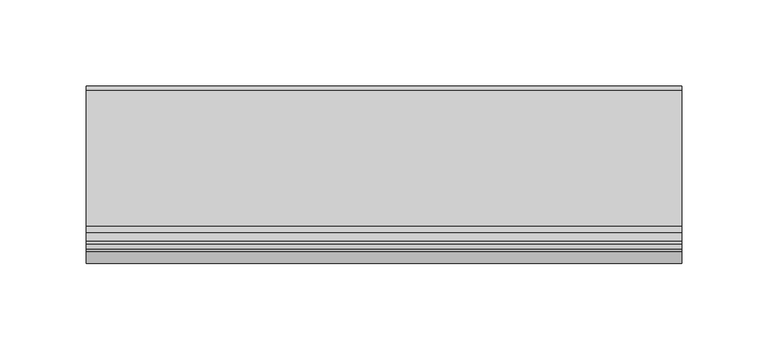
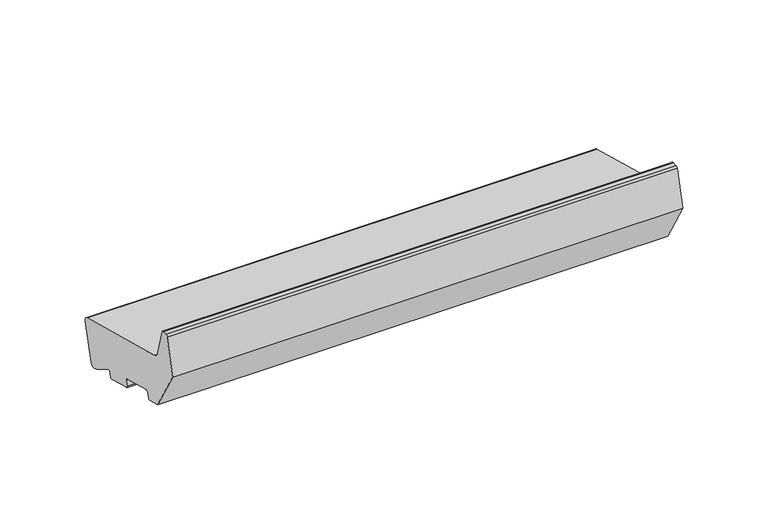
"""IFC4 building model written with IfcOpenShell, lengths in millimetres: proxy geometry."""

import ifcopenshell
import ifcopenshell.guid

model = None  # the IFC model being written
_history = None  # IfcOwnerHistory: only IFC2X3 demands one
_inside = {}  # id of a spatial element -> (the spatial element, [elements in it])
_under = {}  # id of a project, library or spatial element -> (it, [spatial elements below it])
_declared = {}  # id of a project -> (the project, [libraries it declares])
_typed = {}  # id of a type object -> (the type object, [elements of that type])
_made_of = {}  # id of a material, layer set ... -> (it, [elements and type objects made of it])


def new_model(schema):
    """Start an empty IFC model of exactly this schema.

    Asked for "IFC4X3", IfcOpenShell would pick the latest addendum, in which some entities
    have other attributes; the version numbers below select the first issue.
    IFC2X3 requires an IfcOwnerHistory on every rooted entity: one is made here for all.
    """
    global model, _history
    if schema == "IFC4X3":
        model = ifcopenshell.file(schema_version=(4, 3, 0, 0))
    else:
        model = ifcopenshell.file(schema=schema)
    _inside.clear()
    _under.clear()
    _declared.clear()
    _typed.clear()
    _made_of.clear()
    _history = None
    if model.schema == "IFC2X3":
        org = make("IfcOrganization", Name="unknown")
        user = make(
            "IfcPersonAndOrganization",
            ThePerson=make("IfcPerson", FamilyName="unknown"),
            TheOrganization=org,
        )
        app = make(
            "IfcApplication",
            ApplicationDeveloper=org,
            Version="unknown",
            ApplicationFullName="unknown",
            ApplicationIdentifier="unknown",
        )
        _history = make(
            "IfcOwnerHistory",
            OwningUser=user,
            OwningApplication=app,
            ChangeAction="ADDED",
            CreationDate=0,
        )
    return model


def make(cls, **values):
    """One entity of the class cls with the attributes given. An attribute that is None is left unset."""
    return model.create_entity(
        cls, **{name: value for name, value in values.items() if value is not None}
    )


def rooted(cls, **values):
    """An entity with a GlobalId (a new one), such as an element, a storey or a relation."""
    return make(cls, GlobalId=ifcopenshell.guid.new(), OwnerHistory=_history, **values)


def si_unit(unit_type, name, prefix=None):
    """IfcSIUnit, for example si_unit("LENGTHUNIT", "METRE", prefix="MILLI")."""
    return make("IfcSIUnit", UnitType=unit_type, Prefix=prefix, Name=name)


def assignment(units):
    """IfcUnitAssignment: the units of a project."""
    return None if units is None else make("IfcUnitAssignment", Units=units)


def point(xyz):
    """IfcCartesianPoint."""
    return None if xyz is None else make("IfcCartesianPoint", Coordinates=xyz)


def direction(xyz):
    """IfcDirection."""
    return None if xyz is None else make("IfcDirection", DirectionRatios=xyz)


def frame(location, z_axis=None, x_axis=None):
    """IfcAxis2Placement3D, a coordinate frame: its origin and axes. An axis left out is left unset."""
    return make(
        "IfcAxis2Placement3D",
        Location=point(location),
        Axis=direction(z_axis),
        RefDirection=direction(x_axis),
    )


def frame_2d(location, x_axis=None):
    """IfcAxis2Placement2D, a coordinate frame in the plane: its origin and x axis."""
    return make(
        "IfcAxis2Placement2D", Location=point(location), RefDirection=direction(x_axis)
    )


def origin():
    """The frame at (0, 0, 0) with its axes left unset."""
    return frame((0.0, 0.0, 0.0))


def place(relative_to, where):
    """IfcLocalPlacement: puts the frame where relative to a parent placement (None: the world)."""
    return make(
        "IfcLocalPlacement", PlacementRelTo=relative_to, RelativePlacement=where
    )


def context(
    kind, dimensions, precision=None, world=None, true_north=None, identifier=None
):
    """IfcGeometricRepresentationContext, for example the 3D "Model" context."""
    return make(
        "IfcGeometricRepresentationContext",
        ContextIdentifier=identifier,
        ContextType=kind,
        CoordinateSpaceDimension=dimensions,
        Precision=precision,
        WorldCoordinateSystem=world,
        TrueNorth=true_north,
    )


def project(units=None, contexts=None):
    """IfcProject with its units and contexts."""
    return rooted(
        "IfcProject",
        Name="project",
        RepresentationContexts=contexts,
        UnitsInContext=assignment(units),
    )


def spatial(cls, under=None, at=None, **own):
    """A site, building, storey or space (cls), placed at a placement, below another one or the project."""
    s = rooted(cls, ObjectPlacement=at, **own)
    if under is not None:
        _under.setdefault(under.id(), (under, []))[1].append(s)
    return s


def polyline(points):
    """IfcPolyline through the points."""
    return make("IfcPolyline", Points=[point(p) for p in points])


def circle_curve(where, radius):
    """IfcCircle in the frame where."""
    return make("IfcCircle", Position=where, Radius=radius)


def trimmed(basis, trim1, trim2, sense, master):
    """IfcTrimmedCurve: the piece of a basis curve between two trims."""
    return make(
        "IfcTrimmedCurve",
        BasisCurve=basis,
        Trim1=trim1,
        Trim2=trim2,
        SenseAgreement=sense,
        MasterRepresentation=master,
    )


def segment(curve, same_sense, transition):
    """IfcCompositeCurveSegment."""
    return make(
        "IfcCompositeCurveSegment",
        Transition=transition,
        SameSense=same_sense,
        ParentCurve=curve,
    )


def composite_curve(segments, self_intersect=None):
    """IfcCompositeCurve: segments joined end to end."""
    return make("IfcCompositeCurve", Segments=segments, SelfIntersect=self_intersect)


def outline(outer, holes=None, kind="AREA"):
    """IfcArbitraryClosedProfileDef: a profile drawn as a closed curve; with holes, ...WithVoids."""
    if holes is None:
        return make("IfcArbitraryClosedProfileDef", ProfileType=kind, OuterCurve=outer)
    return make(
        "IfcArbitraryProfileDefWithVoids",
        ProfileType=kind,
        OuterCurve=outer,
        InnerCurves=holes,
    )


def extrude(swept, where, along, depth):
    """IfcExtrudedAreaSolid: the profile swept, set in the frame where, extruded along a direction by depth."""
    return make(
        "IfcExtrudedAreaSolid",
        SweptArea=swept,
        Position=where,
        ExtrudedDirection=direction(along),
        Depth=depth,
    )


def shape(context_of_items, identifier, shape_type, items):
    """IfcShapeRepresentation: the items that make up one representation, for example the "Body"."""
    return make(
        "IfcShapeRepresentation",
        ContextOfItems=context_of_items,
        RepresentationIdentifier=identifier,
        RepresentationType=shape_type,
        Items=items,
    )


def source(mapping_origin, context_of_items, identifier, shape_type, items):
    """IfcRepresentationMap: a shape defined once, which mapped items show again and again."""
    return make(
        "IfcRepresentationMap",
        MappingOrigin=mapping_origin,
        MappedRepresentation=shape(context_of_items, identifier, shape_type, items),
    )


def transform(
    local_origin,
    x_axis=None,
    y_axis=None,
    z_axis=None,
    scale=None,
    scale2=None,
    scale3=None,
    uniform=True,
):
    """IfcCartesianTransformationOperator3D, or its non-uniform kind. x_axis, y_axis, z_axis: its Axis1, 2, 3."""
    if uniform:
        return make(
            "IfcCartesianTransformationOperator3D",
            Axis1=direction(x_axis),
            Axis2=direction(y_axis),
            LocalOrigin=point(local_origin),
            Scale=scale,
            Axis3=direction(z_axis),
        )
    return make(
        "IfcCartesianTransformationOperator3DnonUniform",
        Axis1=direction(x_axis),
        Axis2=direction(y_axis),
        LocalOrigin=point(local_origin),
        Scale=scale,
        Axis3=direction(z_axis),
        Scale2=scale2,
        Scale3=scale3,
    )


def mapped(mapping_source, mapping_target):
    """IfcMappedItem: shows the shape of a source again, moved by a transform."""
    return make(
        "IfcMappedItem", MappingSource=mapping_source, MappingTarget=mapping_target
    )


def made_of(thing, what):
    """Note that an element or type object is made of a material, layer set ...; save() writes the relation."""
    if what is not None:
        _made_of.setdefault(what.id(), (what, []))[1].append(thing)
    return thing


def element(
    cls,
    number,
    at=None,
    inside=None,
    cuts=None,
    type_object=None,
    material=None,
    context=None,
    identifier="Body",
    shape_type=None,
    held_by="IfcProductDefinitionShape",
    body=None,
    shapes=None,
    **own,
):
    """One element of the class cls, such as IfcWall. Its Tag is "e" and its number.

    at: its placement. inside: the storey or other place that contains it. cuts: it is an
    opening in that element (IfcRelVoidsElement). A single representation is given by context,
    identifier, shape_type and body (its items); several are given by shapes. held_by: the class
    of the entity that holds the representations. save() writes the other relations.
    """
    e = rooted(cls, Tag="e%d" % number, ObjectPlacement=at, **own)
    if body is not None:
        shapes = [shape(context, identifier, shape_type, body)]
    if shapes is not None:
        e.Representation = make(held_by, Representations=shapes)
    if inside is not None:
        _inside.setdefault(inside.id(), (inside, []))[1].append(e)
    if cuts is not None:
        rooted(
            "IfcRelVoidsElement", RelatingBuildingElement=cuts, RelatedOpeningElement=e
        )
    if type_object is not None:
        _typed.setdefault(type_object.id(), (type_object, []))[1].append(e)
    return made_of(e, material)


def aggregate(whole, parts):
    """IfcRelAggregates: a whole, such as a stair, and the parts it consists of."""
    return rooted("IfcRelAggregates", RelatingObject=whole, RelatedObjects=parts)


def save(model, path):
    """Write the relations noted so far, then the file.

    IfcRelAggregates (storeys below a building ...), IfcRelContainedInSpatialStructure (elements
    in a storey), IfcRelDefinesByType, IfcRelAssociatesMaterial and IfcRelDeclares: one each for
    every whole, place, type object, material and project.
    """
    for whole, parts in _under.values():
        aggregate(whole, parts)
    for where, things in _inside.values():
        rooted(
            "IfcRelContainedInSpatialStructure",
            RelatedElements=things,
            RelatingStructure=where,
        )
    for kind, things in _typed.values():
        rooted("IfcRelDefinesByType", RelatedObjects=things, RelatingType=kind)
    for what, things in _made_of.values():
        rooted("IfcRelAssociatesMaterial", RelatedObjects=things, RelatingMaterial=what)
    for by, libraries in _declared.values():
        rooted("IfcRelDeclares", RelatingContext=by, RelatedDefinitions=libraries)
    model.write(path)


def generic_models_d56aa205(model_context):
    return source(origin(), model_context, "Body", "SweptSolid", [
        extrude(outline(composite_curve([segment(polyline([(-47.1626434, 57.797826), (31.5949866, 36.6947826)]), True, "CONTINUOUS"), segment(trimmed(circle_curve(frame_2d((30.8185295, 33.7970051)), 3.0), [point((31.5949866, 36.6947826))], [point((33.716307, 33.020548))], False, "CARTESIAN"), True, "CONTINUOUS"), segment(polyline([(33.716307, 33.020548), (26.9870118, 7.9064765)]), True, "CONTINUOUS"), segment(trimmed(circle_curve(frame_2d((24.0892343, 8.6829337)), 3.0), [point((26.9870118, 7.9064765))], [point((23.3127772, 5.7851562))], False, "CARTESIAN"), True, "CONTINUOUS"), segment(polyline([(23.3127772, 5.7851562), (20.4149997, 6.5616133), (6.4292308, 15.095059)]), True, "CONTINUOUS"), segment(trimmed(circle_curve(frame_2d((5.908377, 14.2414131)), 1.0), [point((6.4292308, 15.095059))], [point((4.9424512, 14.5002322))], True, "CARTESIAN"), True, "CONTINUOUS"), segment(polyline([(4.9424512, 14.5002322), (3.9942607, 10.9615371)]), True, "CONTINUOUS"), segment(trimmed(circle_curve(frame_2d((3.0283348, 11.2203561)), 1.0), [point((3.9942607, 10.9615371))], [point((2.7695158, 10.2544303))], False, "CARTESIAN"), True, "CONTINUOUS"), segment(polyline([(2.7695158, 10.2544303), (-14.6171491, 14.9131731)]), True, "CONTINUOUS"), segment(trimmed(circle_curve(frame_2d((-14.35833, 15.8790989)), 1.0), [point((-14.6171491, 14.9131731))], [point((-15.3242559, 16.137918))], False, "CARTESIAN"), True, "CONTINUOUS"), segment(polyline([(-15.3242559, 16.137918), (-14.2889797, 20.0016213)]), True, "CONTINUOUS"), segment(trimmed(circle_curve(frame_2d((-15.2549055, 20.2604403)), 1.0), [point((-14.2889797, 20.0016213))], [point((-14.9960865, 21.2263662))], True, "CARTESIAN"), True, "CONTINUOUS"), segment(polyline([(-14.9960865, 21.2263662), (-38.1783063, 27.4380232)]), True, "CONTINUOUS"), segment(trimmed(circle_curve(frame_2d((-38.4371253, 26.4720974)), 1.0), [point((-38.1783063, 27.4380232))], [point((-39.4030512, 26.7309165))], True, "CARTESIAN"), True, "CONTINUOUS"), segment(polyline([(-39.4030512, 26.7309165), (-40.4383273, 22.8672132)]), True, "CONTINUOUS"), segment(trimmed(circle_curve(frame_2d((-41.4042532, 23.1260322)), 1.0), [point((-40.4383273, 22.8672132))], [point((-41.6630722, 22.1601064))], False, "CARTESIAN"), True, "CONTINUOUS"), segment(polyline([(-41.6630722, 22.1601064), (-51.3223305, 24.7482968), (-69.0, 55.3669186), (-62.4291321, 79.8897315)]), True, "CONTINUOUS"), segment(trimmed(circle_curve(frame_2d((-60.9802434, 79.5015029)), 1.5), [point((-62.4291321, 79.8897315))], [point((-60.9802434, 81.0015029))], False, "CARTESIAN"), True, "CONTINUOUS"), segment(polyline([(-60.9802434, 81.0015029), (-57.6368689, 81.0015029)]), True, "CONTINUOUS"), segment(trimmed(circle_curve(frame_2d((-57.6368689, 79.5015029)), 1.5), [point((-57.6368689, 81.0015029))], [point((-56.1879801, 79.8897315))], False, "CARTESIAN"), True, "CONTINUOUS"), segment(polyline([(-56.1879801, 79.8897315), (-51.4052841, 62.0404667)]), True, "CONTINUOUS"), segment(trimmed(circle_curve(frame_2d((-45.6097291, 63.5933809)), 6.0), [point((-51.4052841, 62.0404667))], [point((-47.1626434, 57.797826))], True, "CARTESIAN"), True, "CONTINUOUS")], self_intersect=False)), frame((0.0, 0.0, 0.0), z_axis=(1.0, 0.0, 0.0), x_axis=(0.0, 1.0, 0.0)), (0.0, 0.0, 1.0), 345.0),
    ])


if __name__ == "__main__":
    model = new_model("IFC4")
    model_context = context("Model", 3, world=origin())
    ifc_project = project(units=[si_unit("LENGTHUNIT", "METRE", prefix="MILLI")], contexts=[model_context])
    site = spatial("IfcSite", under=ifc_project)
    building = spatial("IfcBuilding", under=site)
    placement = place(None, origin())
    generic_models_shape = generic_models_d56aa205(model_context)
    element("IfcBuildingElementProxy", 1, Name="Generic Models", at=placement, inside=building, context=model_context, shape_type="MappedRepresentation", body=[
        mapped(generic_models_shape, transform((0.0, 0.0, 0.0), x_axis=(1.0, 0.0, 0.0), y_axis=(0.0, 1.0, 0.0), z_axis=(0.0, 0.0, 1.0))),
    ])
    save(model, "model.ifc")
